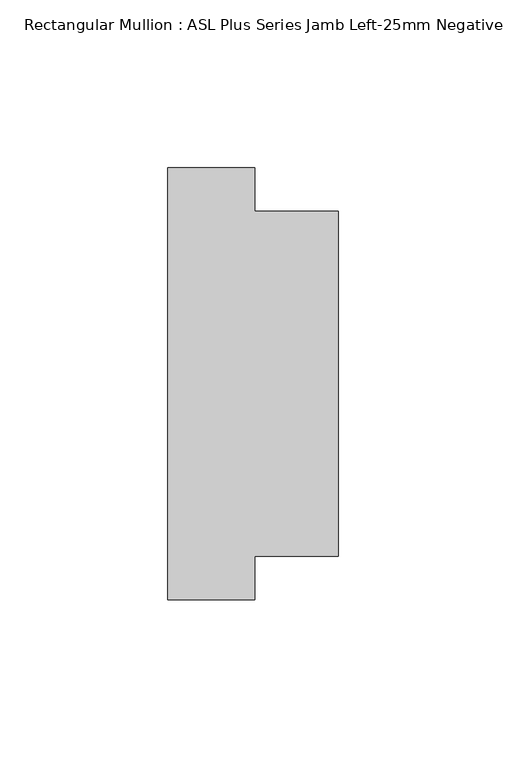
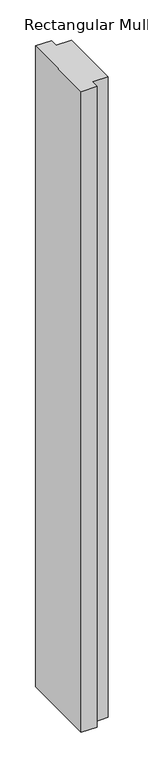
"""IFC4 building model written with IfcOpenShell, lengths in millimetres: member geometry, Rectangular Mullion : ASL Plus Series Jamb Left-25mm Negative Detail-90mm Stud."""

from ifc_helpers import new_model, si_unit, frame, origin, place, context, project, spatial, polyline, outline, extrude, source, transform, mapped, element, save


def rectangular_mullion_asl_plus_series_jamb_left_25mm_negative_a51f4e4a(model_context):
    return source(origin(), model_context, "Body", "SweptSolid", [
        extrude(outline(polyline([(-51.0, 64.5), (-25.0, 64.5), (-25.0, 51.5), (0.0, 51.5), (0.0, -51.5), (-25.0, -51.5), (-25.0, -64.5), (-51.0, -64.5), (-51.0, 64.5)])), frame((0.0, 0.0, -1100.0), z_axis=(0.0, 0.0, 1.0), x_axis=(1.0, 0.0, 0.0)), (0.0, 0.0, 1.0), 1100.0),
    ])


if __name__ == "__main__":
    model = new_model("IFC4")
    model_context = context("Model", 3, world=origin())
    ifc_project = project(units=[si_unit("LENGTHUNIT", "METRE", prefix="MILLI")], contexts=[model_context])
    site = spatial("IfcSite", under=ifc_project)
    building = spatial("IfcBuilding", under=site)
    placement = place(None, origin())
    rectangular_mullion_asl_plus_series_jamb_left_25mm_negative_shape = rectangular_mullion_asl_plus_series_jamb_left_25mm_negative_a51f4e4a(model_context)
    element("IfcMember", 1, ObjectType="Rectangular Mullion : ASL Plus Series Jamb Left-25mm Negative Detail-90mm Stud", at=placement, inside=building, context=model_context, shape_type="MappedRepresentation", body=[
        mapped(rectangular_mullion_asl_plus_series_jamb_left_25mm_negative_shape, transform((0.0, 0.0, 0.0), x_axis=(1.0, 0.0, 0.0), y_axis=(0.0, 1.0, 0.0), z_axis=(0.0, 0.0, 1.0))),
    ])
    save(model, "model.ifc")
